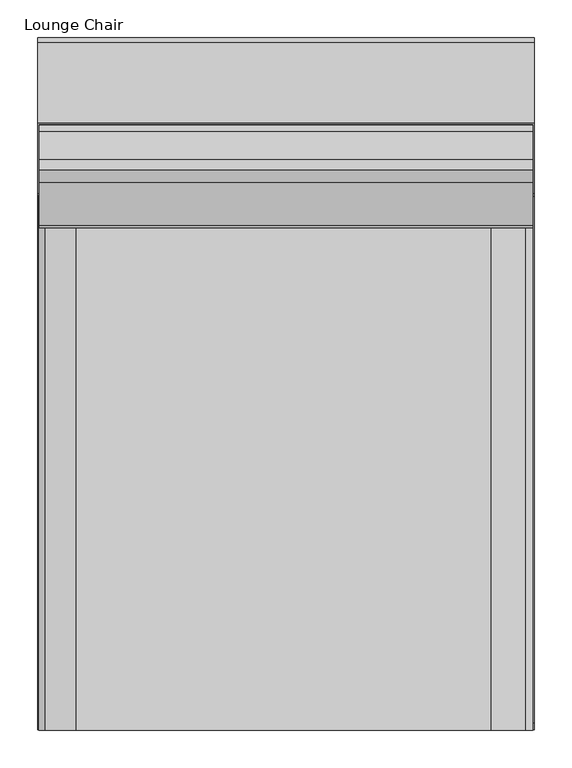
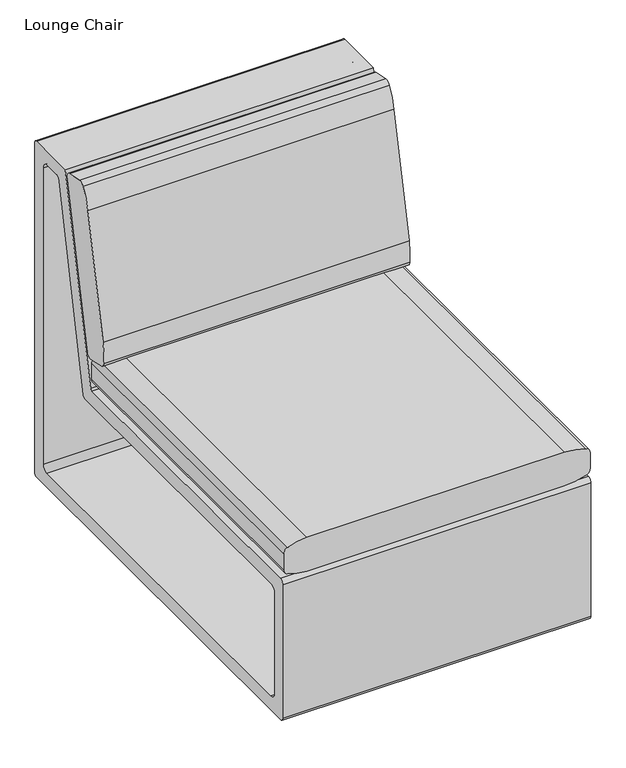
"""IFC4 building model written with IfcOpenShell, lengths in millimetres: furniture geometry, Lounge Chair."""

from ifc_helpers import new_model, si_unit, point, frame, frame_2d, origin, origin_with_axes, place, context, project, spatial, polyline, circle_curve, trimmed, segment, composite_curve, outline, extrude, source, transform, mapped, element, save


def lounge_chair_4831683f(model_context):
    return source(origin(), model_context, "Body", "SweptSolid", [
        extrude(outline(composite_curve([segment(polyline([(237.0308571, 415.6992556), (218.0272074, 419.7753864)]), True, "CONTINUOUS"), segment(trimmed(circle_curve(frame_2d((220.6340673, 431.9290325)), 12.4300777), [point((218.0272074, 419.7753864))], [point((208.2688547, 430.6608262))], False, "CARTESIAN"), True, "CONTINUOUS"), segment(trimmed(circle_curve(frame_2d((359.8735717, 446.2097741)), 152.4), [point((208.2688547, 430.6608262))], [point((210.8236441, 477.9883688))], False, "CARTESIAN"), True, "CONTINUOUS"), segment(polyline([(210.8236441, 477.9883688), (267.1304927, 742.0822281)]), True, "CONTINUOUS"), segment(trimmed(circle_curve(frame_2d((416.1804203, 710.3036334)), 152.4), [point((267.1304927, 742.0822281))], [point((284.3499346, 786.7659315))], False, "CARTESIAN"), True, "CONTINUOUS"), segment(trimmed(circle_curve(frame_2d((295.1023176, 780.529499)), 12.4300777), [point((284.3499346, 786.7659315))], [point((297.6866757, 792.6879498))], False, "CARTESIAN"), True, "CONTINUOUS"), segment(polyline([(297.6866757, 792.6879498), (334.9540995, 784.7665157)]), True, "CONTINUOUS"), segment(trimmed(circle_curve(frame_2d((332.3697415, 772.6080649)), 12.4300777), [point((334.9540995, 784.7665157))], [point((344.7291177, 773.9319421))], False, "CARTESIAN"), True, "CONTINUOUS"), segment(trimmed(circle_curve(frame_2d((193.195959, 757.7004356)), 152.4), [point((344.7291177, 773.9319421))], [point((342.2853644, 726.1075697))], False, "CARTESIAN"), True, "CONTINUOUS"), segment(polyline([(342.2853644, 726.1075697), (286.307599, 461.9437617)]), True, "CONTINUOUS"), segment(trimmed(circle_curve(frame_2d((137.2181936, 493.5366276)), 152.4), [point((286.307599, 461.9437617))], [point((269.3916726, 417.6687725))], False, "CARTESIAN"), True, "CONTINUOUS"), segment(trimmed(circle_curve(frame_2d((258.6113143, 423.8567208)), 12.4300777), [point((269.3916726, 417.6687725))], [point((256.049467, 411.6935071))], False, "CARTESIAN"), True, "CONTINUOUS"), segment(polyline([(256.049467, 411.6935071), (237.0308571, 415.6992556)]), True, "CONTINUOUS")], self_intersect=False)), frame((30.7911988, 0.0, 0.0), z_axis=(1.0, 0.0, 0.0), x_axis=(0.0, 1.0, 0.0)), (0.0, 0.0, 1.0), 656.1316801),
        extrude(outline(composite_curve([segment(trimmed(circle_curve(frame_2d((-8254.2759992, 352.0509027)), 8684.3760242), [point((425.6081739, 631.3315347))], [point((425.8381682, 80.0123557))], False, "CARTESIAN"), True, "CONTINUOUS"), segment(trimmed(circle_curve(frame_2d((298.9004934, 83.9906376)), 127.0), [point((425.8381682, 80.0123557))], [point((417.2646417, 37.9588182))], False, "CARTESIAN"), True, "CONTINUOUS"), segment(trimmed(circle_curve(frame_2d((405.4282269, 42.5620001)), 12.7), [point((417.2646417, 37.9588182))], [point((405.4282269, 29.8620001))], False, "CARTESIAN"), True, "CONTINUOUS"), segment(polyline([(405.4282269, 29.8620001), (369.428762, 29.8620001)]), True, "CONTINUOUS"), segment(trimmed(circle_curve(frame_2d((369.428762, 42.5620001)), 12.7), [point((369.428762, 29.8620001))], [point((357.5923471, 37.9588182))], False, "CARTESIAN"), True, "CONTINUOUS"), segment(trimmed(circle_curve(frame_2d((475.9564954, 83.9906376)), 127.0), [point((357.5923471, 37.9588182))], [point((349.0188207, 80.0123557))], False, "CARTESIAN"), True, "CONTINUOUS"), segment(trimmed(circle_curve(frame_2d((9029.1329881, 352.0509027)), 8684.3760242), [point((349.0188207, 80.0123557))], [point((349.2488149, 631.3315347))], False, "CARTESIAN"), True, "CONTINUOUS"), segment(trimmed(circle_curve(frame_2d((526.9568508, 625.6136689)), 177.8), [point((349.2488149, 631.3315347))], [point((357.0691869, 678.0638514))], False, "CARTESIAN"), True, "CONTINUOUS"), segment(trimmed(circle_curve(frame_2d((369.20402, 674.3174098)), 12.7), [point((357.0691869, 678.0638514))], [point((369.20402, 687.0174098))], False, "CARTESIAN"), True, "CONTINUOUS"), segment(polyline([(369.20402, 687.0174098), (405.6529688, 687.0174098)]), True, "CONTINUOUS"), segment(trimmed(circle_curve(frame_2d((405.6529688, 674.3174098)), 12.7), [point((405.6529688, 687.0174098))], [point((417.787802, 678.0638514))], False, "CARTESIAN"), True, "CONTINUOUS"), segment(trimmed(circle_curve(frame_2d((247.900138, 625.6136689)), 177.8), [point((417.787802, 678.0638514))], [point((425.6081739, 631.3315347))], False, "CARTESIAN"), True, "CONTINUOUS")], self_intersect=False)), frame((0.0, -460.9236442, 0.0), z_axis=(0.0, 1.0, 0.0), x_axis=(0.0, 0.0, 1.0)), (0.0, 0.0, 1.0), 711.99375),
        extrude(outline(polyline([(611.9812258, -308.2493524), (615.15625, -311.4243494), (615.15625, -355.8743524), (611.9812258, -359.0493494), (567.53125, -359.0493494), (564.3562258, -355.8743524), (564.3562258, -311.4243494), (567.53125, -308.2493524), (611.9812258, -308.2493524)])), frame((0.0, 0.0, 3.1750001), z_axis=(0.0, 0.0, 1.0), x_axis=(1.0, 0.0, 0.0)), (0.0, 0.0, 1.0), 22.2250007),
        extrude(outline(polyline([(615.15625, -305.0743463), (618.3312379, -308.2493524), (618.3312379, -359.0493494), (615.15625, -362.2243554), (564.3562258, -362.2243554), (561.1812379, -359.0493494), (561.1812379, -308.2493524), (564.3562258, -305.0743463), (615.15625, -305.0743463)])), origin_with_axes(), (0.0, 0.0, 1.0), 3.1750001),
        extrude(outline(polyline([(205.5812409, -308.2493524), (208.7562651, -311.4243494), (208.7562651, -355.8743524), (205.5812409, -359.0493494), (161.1312651, -359.0493494), (157.9562409, -355.8743524), (157.9562409, -311.4243494), (161.1312651, -308.2493524), (205.5812409, -308.2493524)])), frame((0.0, 0.0, 3.1750001), z_axis=(0.0, 0.0, 1.0), x_axis=(1.0, 0.0, 0.0)), (0.0, 0.0, 1.0), 22.2250007),
        extrude(outline(polyline([(208.7562651, -305.0743463), (211.931253, -308.2493524), (211.931253, -359.0493494), (208.7562651, -362.2243554), (157.9562409, -362.2243554), (154.781253, -359.0493494), (154.781253, -308.2493524), (157.9562409, -305.0743463), (208.7562651, -305.0743463)])), origin_with_axes(), (0.0, 0.0, 1.0), 3.1750001),
        extrude(outline(polyline([(205.5812409, 358.5006749), (208.7562651, 355.3256779), (208.7562651, 310.8756749), (205.5812409, 307.7006779), (161.1312651, 307.7006779), (157.9562409, 310.8756749), (157.9562409, 355.3256779), (161.1312651, 358.5006749), (205.5812409, 358.5006749)])), frame((0.0, 0.0, 3.1750001), z_axis=(0.0, 0.0, 1.0), x_axis=(1.0, 0.0, 0.0)), (0.0, 0.0, 1.0), 22.2250007),
        extrude(outline(polyline([(208.7562651, 361.6756809), (211.931253, 358.5006749), (211.931253, 307.7006779), (208.7562651, 304.5256718), (157.9562409, 304.5256718), (154.781253, 307.7006779), (154.781253, 358.5006749), (157.9562409, 361.6756809), (208.7562651, 361.6756809)])), origin_with_axes(), (0.0, 0.0, 1.0), 3.1750001),
        extrude(outline(polyline([(611.9812258, 358.5006749), (615.15625, 355.3256779), (615.15625, 310.8756749), (611.9812258, 307.7006779), (567.53125, 307.7006779), (564.3562258, 310.8756749), (564.3562258, 355.3256779), (567.53125, 358.5006749), (611.9812258, 358.5006749)])), frame((0.0, 0.0, 3.1750001), z_axis=(0.0, 0.0, 1.0), x_axis=(1.0, 0.0, 0.0)), (0.0, 0.0, 1.0), 22.2250007),
        extrude(outline(polyline([(615.15625, 361.6756809), (618.3312379, 358.5006749), (618.3312379, 307.7006779), (615.15625, 304.5256718), (564.3562258, 304.5256718), (561.1812379, 307.7006779), (561.1812379, 358.5006749), (564.3562258, 361.6756809), (615.15625, 361.6756809)])), origin_with_axes(), (0.0, 0.0, 1.0), 3.1750001),
        extrude(outline(composite_curve([segment(trimmed(circle_curve(frame_2d((248.4922796, 349.8935536)), 4.8013546), [point((248.4922796, 345.092199))], [point((253.1864451, 348.8846847))], True, "CARTESIAN"), True, "CONTINUOUS"), segment(polyline([(253.1864451, 348.8846847), (347.432053, 787.4), (454.025, 787.4)]), True, "CONTINUOUS"), segment(trimmed(circle_curve(frame_2d((454.025, 781.05)), 6.35), [point((454.025, 787.4))], [point((460.375, 781.05))], False, "CARTESIAN"), True, "CONTINUOUS"), segment(polyline([(460.375, 781.05), (460.375, 30.6404917)]), True, "CONTINUOUS"), segment(trimmed(circle_curve(frame_2d((455.1345091, 30.6404917)), 5.2404909), [point((460.375, 30.6404917))], [point((455.1345091, 25.4000008))], False, "CARTESIAN"), True, "CONTINUOUS"), segment(polyline([(455.1345091, 25.4000008), (-452.6230719, 25.4000008)]), True, "CONTINUOUS"), segment(trimmed(circle_curve(frame_2d((-452.6230719, 33.1519289)), 7.7519281), [point((-452.6230719, 25.4000008))], [point((-460.375, 33.1519289))], False, "CARTESIAN"), True, "CONTINUOUS"), segment(polyline([(-460.375, 33.1519289), (-460.375, 335.5036708)]), True, "CONTINUOUS"), segment(trimmed(circle_curve(frame_2d((-450.7864717, 335.5036708)), 9.5885283), [point((-460.375, 335.5036708))], [point((-450.7864717, 345.092199))], False, "CARTESIAN"), True, "CONTINUOUS"), segment(polyline([(-450.7864717, 345.092199), (248.4922796, 345.092199)]), True, "CONTINUOUS")], self_intersect=False), holes=[composite_curve([segment(polyline([(428.3506765, 69.85), (428.3506765, 742.9500242)]), True, "CONTINUOUS"), segment(trimmed(circle_curve(frame_2d((415.6506765, 742.9500242)), 12.7), [point((428.3506765, 742.9500242))], [point((415.6506765, 755.6500242))], True, "CARTESIAN"), True, "CONTINUOUS"), segment(polyline([(415.6506765, 755.6500242), (382.3013664, 755.6500242)]), True, "CONTINUOUS"), segment(trimmed(circle_curve(frame_2d((382.3013664, 744.2947758)), 11.3552484), [point((382.3013664, 755.6500242))], [point((371.1793097, 746.5842129))], True, "CARTESIAN"), True, "CONTINUOUS"), segment(polyline([(371.1793097, 746.5842129), (282.5627899, 316.0862607)]), True, "CONTINUOUS"), segment(trimmed(circle_curve(frame_2d((276.3431937, 317.3665431)), 6.35), [point((282.5627899, 316.0862607))], [point((276.3419699, 311.0165432))], False, "CARTESIAN"), True, "CONTINUOUS"), segment(polyline([(276.3419699, 311.0165432), (-416.1968395, 311.1500116)]), True, "CONTINUOUS"), segment(trimmed(circle_curve(frame_2d((-416.1992871, 298.4500119)), 12.7), [point((-416.1968395, 311.1500116))], [point((-428.8992871, 298.4500119))], True, "CARTESIAN"), True, "CONTINUOUS"), segment(polyline([(-428.8992871, 298.4500119), (-428.8992871, 69.85)]), True, "CONTINUOUS"), segment(trimmed(circle_curve(frame_2d((-416.1992871, 69.85)), 12.7), [point((-428.8992871, 69.85))], [point((-416.1992871, 57.15))], True, "CARTESIAN"), True, "CONTINUOUS"), segment(polyline([(-416.1992871, 57.15), (415.6506765, 57.15)]), True, "CONTINUOUS"), segment(trimmed(circle_curve(frame_2d((415.6506765, 69.85)), 12.7), [point((415.6506765, 57.15))], [point((428.3506765, 69.85))], True, "CARTESIAN"), True, "CONTINUOUS")], self_intersect=False)]), frame((28.575, 0.0, 0.0), z_axis=(1.0, 0.0, 0.0), x_axis=(0.0, 1.0, 0.0)), (0.0, 0.0, 1.0), 660.4),
    ])


if __name__ == "__main__":
    model = new_model("IFC4")
    model_context = context("Model", 3, world=origin())
    ifc_project = project(units=[si_unit("LENGTHUNIT", "METRE", prefix="MILLI")], contexts=[model_context])
    site = spatial("IfcSite", under=ifc_project)
    building = spatial("IfcBuilding", under=site)
    placement = place(None, origin())
    lounge_chair_shape = lounge_chair_4831683f(model_context)
    element("IfcFurniture", 1, ObjectType="Lounge Chair", at=placement, inside=building, context=model_context, shape_type="MappedRepresentation", body=[
        mapped(lounge_chair_shape, transform((0.0, 0.0, 0.0), x_axis=(1.0, 0.0, 0.0), y_axis=(0.0, 1.0, 0.0), z_axis=(0.0, 0.0, 1.0))),
    ])
    save(model, "model.ifc")
